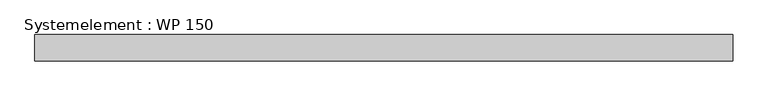
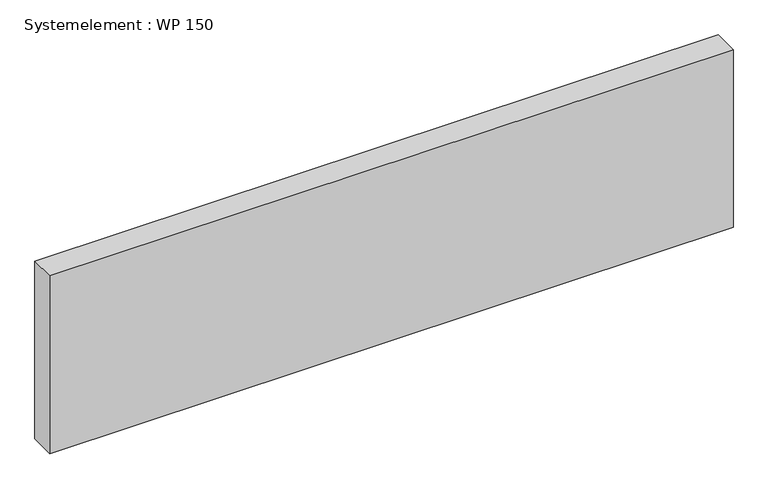
"""IFC4 building model written with IfcOpenShell, lengths in millimetres: plate geometry, Systemelement : WP 150."""

from ifc_helpers import new_model, si_unit, origin, origin_with_axes, place, context, project, spatial, polyline, outline, extrude, source, transform, mapped, element, save


def systemelement_wp_150_0c763c59(model_context):
    return source(origin(), model_context, "Body", "SweptSolid", [
        extrude(outline(polyline([(2000.0, -150.0), (-2000.0, -150.0), (-2000.0, 0.0), (2000.0, 0.0), (2000.0, -150.0)])), origin_with_axes(), (0.0, 0.0, 1.0), 1100.0),
    ])


if __name__ == "__main__":
    model = new_model("IFC4")
    model_context = context("Model", 3, world=origin())
    ifc_project = project(units=[si_unit("LENGTHUNIT", "METRE", prefix="MILLI")], contexts=[model_context])
    site = spatial("IfcSite", under=ifc_project)
    building = spatial("IfcBuilding", under=site)
    placement = place(None, origin())
    systemelement_wp_150_shape = systemelement_wp_150_0c763c59(model_context)
    element("IfcPlate", 1, ObjectType="Systemelement : WP 150", at=placement, inside=building, context=model_context, shape_type="MappedRepresentation", body=[
        mapped(systemelement_wp_150_shape, transform((0.0, 0.0, 0.0), x_axis=(1.0, 0.0, 0.0), y_axis=(0.0, 1.0, 0.0), z_axis=(0.0, 0.0, 1.0))),
    ])
    save(model, "model.ifc")
